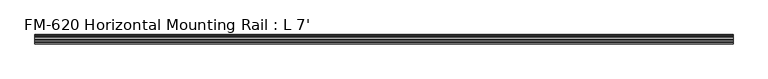
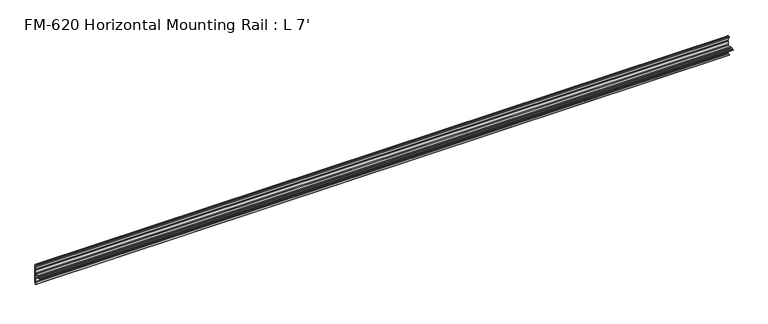
"""IFC4 building model written with IfcOpenShell, lengths in millimetres: proxy geometry, FM-620 Horizontal Mounting Rail : L 7'."""

from ifc_helpers import new_model, si_unit, frame, origin, place, context, project, spatial, polyline, circle_curve, source, transform, mapped, element, save
from ifc_brep_helpers import plane_surface, cylinder_surface, revolved_surface, advanced_brep


def fm_620_horizontal_mounting_rail_l_7_42c006f6(model_context):
    return source(origin(), model_context, "Body", "AdvancedBrep", [
        advanced_brep(
        [(2133.6, 13.6400687, 32.1158903), (2133.6, 11.9462301, 30.7938136), (2133.6, 13.6400687, 26.2967369), (2133.6, 15.4364113, 25.7360779), (2133.6, 16.1779173, 26.4138515), (2133.6, 16.9376166, 27.3612928), (2133.6, 17.4625, 26.8535734), (2133.6, 17.4625, 15.6659614), (2133.6, 17.9716639, 14.7485418), (2133.6, 17.9716639, 13.408381), (2133.6, 17.4681023, 12.4909614), (2133.6, 17.4681023, 3.5082566), (2133.6, 15.5546988, 1.5948531), (2133.6, 5.2023289, 1.5948531), (2133.6, 2.0525552, 1.5948531), (2133.6, -2.484295, 1.5948531), (2133.6, -5.633895, 1.5948531), (2133.6, -9.5043031, 1.5948531), (2133.6, -9.5043031, 0.0), (2133.6, -5.633895, 0.0), (2133.6, -2.484295, 0.0), (2133.6, 2.0526969, 0.0), (2133.6, 5.2022969, 0.0), (2133.6, 15.5575, -0.0227595), (2133.6, 17.4625, -1.9277595), (2133.6, 17.4625, -10.9034614), (2133.6, 17.9716639, -11.820881), (2133.6, 17.9716639, -13.1610418), (2133.6, 17.4625, -14.0784614), (2133.6, 17.4625, -25.2660734), (2133.6, 16.9376166, -25.7737928), (2133.6, 16.1779173, -24.8263515), (2133.6, 15.4364113, -24.1485779), (2133.6, 13.6400687, -24.7092369), (2133.6, 11.9462301, -29.2063136), (2133.6, 13.6400687, -30.5283903), (2133.6, 15.4750158, -31.1010982), (2133.6, 16.1549378, -30.6811835), (2133.6, 16.1549378, -29.1395734), (2133.6, 17.7424378, -27.5520734), (2133.6, 19.05, -27.5520734), (2133.6, 19.05, 0.0), (2133.6, 19.05, 29.1395734), (2133.6, 17.7424378, 29.1395734), (2133.6, 16.1549378, 30.7270734), (2133.6, 16.1549378, 32.2686835), (2133.6, 15.4750158, 32.6885982), (0.0, 13.6400687, 32.1158903), (0.0, 15.4750158, 32.6885982), (0.0, 16.1549378, 32.2686835), (0.0, 16.1549378, 30.7270734), (0.0, 17.7424378, 29.1395734), (0.0, 19.05, 29.1395734), (0.0, 19.05, 0.0), (0.0, 19.05, -27.5520734), (0.0, 17.7424378, -27.5520734), (0.0, 16.1549378, -29.1395734), (0.0, 16.1549378, -30.6811835), (0.0, 15.4750158, -31.1010982), (0.0, 13.6400687, -30.5283903), (0.0, 11.9462301, -29.2063136), (0.0, 13.6400687, -24.7092369), (0.0, 15.4364113, -24.1485779), (0.0, 16.1779173, -24.8263515), (0.0, 16.9376166, -25.7737928), (0.0, 17.4625, -25.2660734), (0.0, 17.4625, -14.0784614), (0.0, 17.9716639, -13.1610418), (0.0, 17.9716639, -11.820881), (0.0, 17.4625, -10.9034614), (0.0, 17.4625, -1.9277595), (0.0, 15.5575, -0.0227595), (0.0, 5.2021324, -0.0227595), (0.0, 2.0526969, 0.0), (0.0, -2.484295, 0.0), (0.0, -5.633895, 0.0), (0.0, -9.5043031, 0.0), (0.0, -9.5043031, 1.5948531), (0.0, -5.633895, 1.5948531), (0.0, -2.484295, 1.5948531), (0.0, 2.0525552, 1.5948531), (0.0, 5.2023289, 1.5948531), (0.0, 15.5546988, 1.5948531), (0.0, 17.4681023, 3.5082566), (0.0, 17.4681023, 12.4909614), (0.0, 17.9716639, 13.408381), (0.0, 17.9716639, 14.7485418), (0.0, 17.4625, 15.6659614), (0.0, 17.4625, 26.8535734), (0.0, 16.9376166, 27.3612928), (0.0, 16.1779173, 26.4138515), (0.0, 15.4364113, 25.7360779), (0.0, 13.6400687, 26.2967369), (0.0, 11.9462301, 30.7938136)],
        [
            (0, 1, circle_curve(frame((2133.6, 14.5481808, 29.2063136), z_axis=(1.0, 0.0, 0.0), x_axis=(0.0, -1.0, 0.0)), 3.048)),
            (1, 2, circle_curve(frame((2133.6, 14.5481808, 29.2063136), z_axis=(1.0, 0.0, 0.0), x_axis=(0.0, -1.0, 0.0)), 3.048)),
            (2, 3),
            (3, 4, circle_curve(frame((2133.6, 15.6245238, 26.2747792), z_axis=(1.0, 0.0, 0.0), x_axis=(0.0, -1.0, 0.0)), 0.5706009)),
            (4, 5, circle_curve(frame((2133.6, 16.9169378, 26.5995734), z_axis=(-1.0, 0.0, 0.0), x_axis=(0.0, -1.0, 0.0)), 0.762)),
            (5, 6, circle_curve(frame((2133.6, 16.9545, 26.8535734), z_axis=(-1.0, 0.0, 0.0), x_axis=(0.0, -1.0, 0.0)), 0.508)),
            (6, 7),
            (7, 8),
            (8, 9),
            (9, 10),
            (10, 11),
            (11, 12, circle_curve(frame((2133.6, 15.5546988, 3.5082566), z_axis=(-1.0, 0.0, 0.0), x_axis=(0.0, -1.0, 0.0)), 1.9134035)),
            (12, 13),
            (13, 14, circle_curve(frame((2133.6, 3.627442, 1.5948531), z_axis=(1.0, 0.0, 0.0), x_axis=(0.0, -1.0, 0.0)), 1.5748869)),
            (14, 15),
            (15, 16, circle_curve(frame((2133.6, -4.059095, 1.5948531), z_axis=(1.0, 0.0, 0.0), x_axis=(0.0, -1.0, 0.0)), 1.5748)),
            (16, 17),
            (17, 18),
            (18, 19),
            (19, 20, circle_curve(frame((2133.6, -4.059095, 0.0), z_axis=(1.0, 0.0, 0.0), x_axis=(0.0, -1.0, 0.0)), 1.5748)),
            (20, 21),
            (21, 22, circle_curve(frame((2133.6, 3.6274969, 0.0), z_axis=(1.0, 0.0, 0.0), x_axis=(0.0, -1.0, 0.0)), 1.5748)),
            (22, 23),
            (23, 24, circle_curve(frame((2133.6, 15.5575, -1.9277595), z_axis=(-1.0, 0.0, 0.0), x_axis=(0.0, -1.0, 0.0)), 1.905)),
            (24, 25),
            (25, 26),
            (26, 27),
            (27, 28),
            (28, 29),
            (29, 30, circle_curve(frame((2133.6, 16.9545, -25.2660734), z_axis=(-1.0, 0.0, 0.0), x_axis=(0.0, -1.0, 0.0)), 0.508)),
            (30, 31, circle_curve(frame((2133.6, 16.9169378, -25.0120734), z_axis=(-1.0, 0.0, 0.0), x_axis=(0.0, -1.0, 0.0)), 0.762)),
            (31, 32, circle_curve(frame((2133.6, 15.6245238, -24.6872792), z_axis=(1.0, 0.0, 0.0), x_axis=(0.0, -1.0, 0.0)), 0.5706009)),
            (32, 33),
            (33, 34, circle_curve(frame((2133.6, 14.5481808, -27.6188136), z_axis=(1.0, 0.0, 0.0), x_axis=(0.0, -1.0, 0.0)), 3.048)),
            (34, 35, circle_curve(frame((2133.6, 14.5481808, -27.6188136), z_axis=(1.0, 0.0, 0.0), x_axis=(0.0, -1.0, 0.0)), 3.048)),
            (35, 36),
            (36, 37, circle_curve(frame((2133.6, 15.6853088, -30.6811835), z_axis=(1.0, 0.0, 0.0), x_axis=(0.0, -1.0, 0.0)), 0.4696291)),
            (37, 38),
            (38, 39, circle_curve(frame((2133.6, 17.7424378, -29.1395734), z_axis=(-1.0, 0.0, 0.0), x_axis=(0.0, -1.0, 0.0)), 1.5875)),
            (39, 40),
            (40, 41),
            (41, 42),
            (42, 43),
            (43, 44, circle_curve(frame((2133.6, 17.7424378, 30.7270734), z_axis=(-1.0, 0.0, 0.0), x_axis=(0.0, -1.0, 0.0)), 1.5875)),
            (44, 45),
            (45, 46, circle_curve(frame((2133.6, 15.6853088, 32.2686835), z_axis=(1.0, 0.0, 0.0), x_axis=(0.0, -1.0, 0.0)), 0.4696291)),
            (46, 0),
            (47, 48),
            (48, 49, circle_curve(frame((0.0, 15.6853088, 32.2686835), z_axis=(-1.0, 0.0, 0.0), x_axis=(0.0, -1.0, 0.0)), 0.4696291)),
            (49, 50),
            (50, 51, circle_curve(frame((0.0, 17.7424378, 30.7270734), z_axis=(1.0, 0.0, 0.0), x_axis=(0.0, -1.0, 0.0)), 1.5875)),
            (51, 52),
            (52, 53),
            (53, 54),
            (54, 55),
            (55, 56, circle_curve(frame((0.0, 17.7424378, -29.1395734), z_axis=(1.0, 0.0, 0.0), x_axis=(0.0, -1.0, 0.0)), 1.5875)),
            (56, 57),
            (57, 58, circle_curve(frame((0.0, 15.6853088, -30.6811835), z_axis=(-1.0, 0.0, 0.0), x_axis=(0.0, -1.0, 0.0)), 0.4696291)),
            (58, 59),
            (59, 60, circle_curve(frame((0.0, 14.5481808, -27.6188136), z_axis=(-1.0, 0.0, 0.0), x_axis=(0.0, -1.0, 0.0)), 3.048)),
            (60, 61, circle_curve(frame((0.0, 14.5481808, -27.6188136), z_axis=(-1.0, 0.0, 0.0), x_axis=(0.0, -1.0, 0.0)), 3.048)),
            (61, 62),
            (62, 63, circle_curve(frame((0.0, 15.6245238, -24.6872792), z_axis=(-1.0, 0.0, 0.0), x_axis=(0.0, -1.0, 0.0)), 0.5706009)),
            (63, 64, circle_curve(frame((0.0, 16.9169378, -25.0120734), z_axis=(1.0, 0.0, 0.0), x_axis=(0.0, -1.0, 0.0)), 0.762)),
            (64, 65, circle_curve(frame((0.0, 16.9545, -25.2660734), z_axis=(1.0, 0.0, 0.0), x_axis=(0.0, -1.0, 0.0)), 0.508)),
            (65, 66),
            (66, 67),
            (67, 68),
            (68, 69),
            (69, 70),
            (70, 71, circle_curve(frame((0.0, 15.5575, -1.9277595), z_axis=(1.0, 0.0, 0.0), x_axis=(0.0, -1.0, 0.0)), 1.905)),
            (71, 72),
            (72, 73, circle_curve(frame((0.0, 3.6274969, 0.0), z_axis=(-1.0, 0.0, 0.0), x_axis=(0.0, -1.0, 0.0)), 1.5748)),
            (73, 74),
            (74, 75, circle_curve(frame((0.0, -4.059095, 0.0), z_axis=(-1.0, 0.0, 0.0), x_axis=(0.0, -1.0, 0.0)), 1.5748)),
            (75, 76),
            (76, 77),
            (77, 78),
            (78, 79, circle_curve(frame((0.0, -4.059095, 1.5948531), z_axis=(-1.0, 0.0, 0.0), x_axis=(0.0, -1.0, 0.0)), 1.5748)),
            (79, 80),
            (80, 81, circle_curve(frame((0.0, 3.627442, 1.5948531), z_axis=(-1.0, 0.0, 0.0), x_axis=(0.0, -1.0, 0.0)), 1.5748869)),
            (81, 82),
            (82, 83, circle_curve(frame((0.0, 15.5546988, 3.5082566), z_axis=(1.0, 0.0, 0.0), x_axis=(0.0, -1.0, 0.0)), 1.9134035)),
            (83, 84),
            (84, 85),
            (85, 86),
            (86, 87),
            (87, 88),
            (88, 89, circle_curve(frame((0.0, 16.9545, 26.8535734), z_axis=(1.0, 0.0, 0.0), x_axis=(0.0, -1.0, 0.0)), 0.508)),
            (89, 90, circle_curve(frame((0.0, 16.9169378, 26.5995734), z_axis=(1.0, 0.0, 0.0), x_axis=(0.0, -1.0, 0.0)), 0.762)),
            (90, 91, circle_curve(frame((0.0, 15.6245238, 26.2747792), z_axis=(-1.0, 0.0, 0.0), x_axis=(0.0, -1.0, 0.0)), 0.5706009)),
            (91, 92),
            (92, 93, circle_curve(frame((0.0, 14.5481808, 29.2063136), z_axis=(-1.0, 0.0, 0.0), x_axis=(0.0, -1.0, 0.0)), 3.048)),
            (93, 47, circle_curve(frame((0.0, 14.5481808, 29.2063136), z_axis=(-1.0, 0.0, 0.0), x_axis=(0.0, -1.0, 0.0)), 3.048)),
            (47, 0),
            (46, 48),
            (45, 49),
            (44, 50),
            (43, 51),
            (42, 52),
            (41, 53),
            (82, 12),
            (11, 83),
            (10, 84),
            (9, 85),
            (8, 86),
            (7, 87),
            (6, 88),
            (5, 89),
            (4, 90),
            (3, 91),
            (2, 92),
            (1, 93),
            (79, 15),
            (14, 80),
            (40, 54),
            (39, 55),
            (38, 56),
            (37, 57),
            (36, 58),
            (35, 59),
            (34, 60),
            (33, 61),
            (32, 62),
            (31, 63),
            (30, 64),
            (29, 65),
            (28, 66),
            (27, 67),
            (26, 68),
            (25, 69),
            (24, 70),
            (23, 71),
            (22, 72),
            (73, 21),
            (20, 74),
            (81, 13),
            (19, 75),
            (18, 76),
            (17, 77),
            (16, 78),
        ],
        [
            plane_surface(frame((2133.6, 13.6400687, 32.1158903), z_axis=(1.0000000000000002, 0.0, 0.0), x_axis=(0.0, -0.9545855229405112, -0.29793703930929905))),
            plane_surface(frame((0.0, 13.6400687, 32.1158903), z_axis=(-1.0000000000000002, 0.0, 0.0), x_axis=(0.0, 0.9545855229405112, 0.29793703930929905))),
            plane_surface(frame((0.0, 13.6400687, 32.1158903), z_axis=(0.0, -0.29793703930929905, 0.9545855229405112), x_axis=(1.0, 0.0, 0.0))),
            cylinder_surface(frame((2133.6, 15.6853088, 32.2686835), z_axis=(-1.0, 0.0, 0.0), x_axis=(0.0, -1.0, 0.0)), 0.4696291),
            plane_surface(frame((0.0, 16.1549378, 32.2686835), z_axis=(0.0, 1.0, 0.0), x_axis=(1.0, 0.0, 0.0))),
            revolved_surface(polyline([(2133.6, 16.154937800000003, 30.7270734), (0.0, 16.154937800000003, 30.7270734)]), (2133.6, 17.7424378, 30.7270734), (1.0, 0.0, 0.0)),
            plane_surface(frame((0.0, 17.7424378, 29.1395734), z_axis=(0.0, 0.0, 1.0), x_axis=(1.0, 0.0, 0.0))),
            plane_surface(frame((0.0, 19.05, 29.1395734), z_axis=(0.0, 1.0, 0.0), x_axis=(1.0, 0.0, 0.0))),
            revolved_surface(polyline([(2133.6, 13.641295300000001, 3.5082566), (0.0, 13.641295300000001, 3.5082566)]), (2133.6, 15.5546988, 3.5082566), (1.0, 0.0, 0.0)),
            plane_surface(frame((0.0, 17.4681023, 3.5082566), z_axis=(0.0, -1.0, 0.0), x_axis=(1.0, 0.0, 0.0))),
            plane_surface(frame((0.0, 17.4681023, 12.4909614), z_axis=(0.0, -0.8766268538755736, 0.48117082108562426), x_axis=(1.0, 0.0, 0.0))),
            plane_surface(frame((0.0, 17.9716639, 13.408381), z_axis=(0.0, -1.0, 0.0), x_axis=(1.0, 0.0, 0.0))),
            plane_surface(frame((0.0, 17.9716639, 14.7485418), z_axis=(0.0, -0.8743650453416105, -0.4852687579937157), x_axis=(1.0, 0.0, 0.0))),
            plane_surface(frame((0.0, 17.4625, 15.6659614), z_axis=(0.0, -1.0, 0.0), x_axis=(1.0, 0.0, 0.0))),
            revolved_surface(polyline([(2133.6, 16.4465, 26.8535734), (0.0, 16.4465, 26.8535734)]), (2133.6, 16.9545, 26.8535734), (1.0, 0.0, 0.0)),
            revolved_surface(polyline([(2133.6, 16.1549378, 26.5995734), (0.0, 16.1549378, 26.5995734)]), (2133.6, 16.9169378, 26.5995734), (1.0, 0.0, 0.0)),
            cylinder_surface(frame((2133.6, 15.6245238, 26.2747792), z_axis=(-1.0, 0.0, 0.0), x_axis=(0.0, -1.0, 0.0)), 0.5706009),
            plane_surface(frame((0.0, 15.4364113, 25.7360779), z_axis=(0.0, -0.2979370393101009, -0.9545855229402609), x_axis=(1.0, 0.0, 0.0))),
            cylinder_surface(frame((2133.6, 14.5481808, 29.2063136), z_axis=(-1.0, 0.0, 0.0), x_axis=(0.0, -1.0, 0.0)), 3.048),
            plane_surface(frame((0.0, -2.484295, 1.5948531), z_axis=(0.0, 0.0, 1.0), x_axis=(1.0, 0.0, 0.0))),
            plane_surface(frame((0.0, 19.05, 0.0), z_axis=(0.0, 1.0, 0.0), x_axis=(1.0, 0.0, 0.0))),
            plane_surface(frame((0.0, 19.05, -27.5520734), z_axis=(0.0, 0.0, -1.0), x_axis=(1.0, 0.0, 0.0))),
            revolved_surface(polyline([(2133.6, 16.154937800000003, -29.1395734), (0.0, 16.154937800000003, -29.1395734)]), (2133.6, 17.7424378, -29.1395734), (1.0, 0.0, 0.0)),
            plane_surface(frame((0.0, 16.1549378, -29.1395734), z_axis=(0.0, 1.0, 0.0), x_axis=(1.0, 0.0, 0.0))),
            cylinder_surface(frame((2133.6, 15.6853088, -30.6811835), z_axis=(-1.0, 0.0, 0.0), x_axis=(0.0, -1.0, 0.0)), 0.4696291),
            plane_surface(frame((0.0, 15.4750158, -31.1010982), z_axis=(0.0, -0.2979370393090683, -0.9545855229405833), x_axis=(1.0, 0.0, 0.0))),
            cylinder_surface(frame((2133.6, 14.5481808, -27.6188136), z_axis=(-1.0, 0.0, 0.0), x_axis=(0.0, -1.0, 0.0)), 3.048),
            plane_surface(frame((0.0, 13.6400687, -24.7092369), z_axis=(0.0, -0.2979370393424987, 0.9545855229301492), x_axis=(1.0, 0.0, 0.0))),
            cylinder_surface(frame((2133.6, 15.6245238, -24.6872792), z_axis=(-1.0, 0.0, 0.0), x_axis=(0.0, -1.0, 0.0)), 0.5706009),
            revolved_surface(polyline([(2133.6, 16.1549378, -25.0120734), (0.0, 16.1549378, -25.0120734)]), (2133.6, 16.9169378, -25.0120734), (1.0, 0.0, 0.0)),
            revolved_surface(polyline([(2133.6, 16.4465, -25.2660734), (0.0, 16.4465, -25.2660734)]), (2133.6, 16.9545, -25.2660734), (1.0, 0.0, 0.0)),
            plane_surface(frame((0.0, 17.4625, -25.2660734), z_axis=(0.0, -1.0, 0.0), x_axis=(1.0, 0.0, 0.0))),
            plane_surface(frame((0.0, 17.4625, -14.0784614), z_axis=(0.0, -0.8743650443696134, 0.48526875974507594), x_axis=(1.0, 0.0, 0.0))),
            plane_surface(frame((0.0, 17.9716639, -13.1610418), z_axis=(0.0, -1.0, 0.0), x_axis=(1.0, 0.0, 0.0))),
            plane_surface(frame((0.0, 17.9716639, -11.820881), z_axis=(0.0, -0.8743650440122003, -0.48526876038906863), x_axis=(1.0, 0.0, 0.0))),
            plane_surface(frame((0.0, 17.4625, -10.9034614), z_axis=(0.0, -1.0, 0.0), x_axis=(1.0, 0.0, 0.0))),
            revolved_surface(polyline([(2133.6, 13.6525, -1.9277595), (0.0, 13.6525, -1.9277595)]), (2133.6, 15.5575, -1.9277595), (1.0, 0.0, 0.0)),
            plane_surface(frame((0.0, 15.5575, -0.0227595), z_axis=(0.0, 0.0, -1.0), x_axis=(1.0, 0.0, 0.0))),
            plane_surface(frame((0.0, 2.0526969, 0.0), z_axis=(0.0, 0.0, -1.0), x_axis=(1.0, 0.0, 0.0))),
            plane_surface(frame((0.0, 5.2023289, 1.5948531), z_axis=(0.0, 0.0, 1.0), x_axis=(1.0, 0.0, 0.0))),
            cylinder_surface(frame((2133.6, 3.6274969, 0.0), z_axis=(-1.0, 0.0, 0.0), x_axis=(0.0, -1.0, 0.0)), 1.5748),
            cylinder_surface(frame((2133.6, -4.059095, 0.0), z_axis=(-1.0, 0.0, 0.0), x_axis=(0.0, -1.0, 0.0)), 1.5748),
            plane_surface(frame((0.0, -5.633895, 0.0), z_axis=(0.0, 0.0, -1.0), x_axis=(1.0, 0.0, 0.0))),
            plane_surface(frame((0.0, -9.5043031, 0.0), z_axis=(0.0, -1.0, 0.0), x_axis=(1.0, 0.0, 0.0))),
            plane_surface(frame((0.0, -9.5043031, 1.5948531), z_axis=(0.0, 0.0, 1.0), x_axis=(1.0, 0.0, 0.0))),
            cylinder_surface(frame((2133.6, -4.059095, 1.5948531), z_axis=(-1.0, 0.0, 0.0), x_axis=(0.0, -1.0, 0.0)), 1.5748),
            cylinder_surface(frame((2133.6, 3.627442, 1.5948531), z_axis=(-1.0, 0.0, 0.0), x_axis=(0.0, -1.0, 0.0)), 1.5748869),
        ],
        [
            (0, [[1, 2, 3, 4, 5, 6, 7, 8, 9, 10, 11, 12, 13, 14, 15, 16, 17, 18, 19, 20, 21, 22, 23, 24, 25, 26, 27, 28, 29, 30, 31, 32, 33, 34, 35, 36, 37, 38, 39, 40, 41, 42, 43, 44, 45, 46, 47]]),
            (1, [[48, 49, 50, 51, 52, 53, 54, 55, 56, 57, 58, 59, 60, 61, 62, 63, 64, 65, 66, 67, 68, 69, 70, 71, 72, 73, 74, 75, 76, 77, 78, 79, 80, 81, 82, 83, 84, 85, 86, 87, 88, 89, 90, 91, 92, 93, 94]]),
            (2, [[-48, 95, -47, 96]]),
            (3, [[-49, -96, -46, 97]]),
            (4, [[-50, -97, -45, 98]]),
            (5, [[-51, -98, -44, 99]]),
            (6, [[-52, -99, -43, 100]]),
            (7, [[-53, -100, -42, 101]]),
            (8, [[-83, 102, -12, 103]]),
            (9, [[-84, -103, -11, 104]]),
            (10, [[-85, -104, -10, 105]]),
            (11, [[-86, -105, -9, 106]]),
            (12, [[-87, -106, -8, 107]]),
            (13, [[-88, -107, -7, 108]]),
            (14, [[-89, -108, -6, 109]]),
            (15, [[-90, -109, -5, 110]]),
            (16, [[-91, -110, -4, 111]]),
            (17, [[-92, -111, -3, 112]]),
            (18, [[-93, -112, -2, 113]]),
            (18, [[-94, -113, -1, -95]]),
            (19, [[-80, 114, -15, 115]]),
            (20, [[-54, -101, -41, 116]]),
            (21, [[-55, -116, -40, 117]]),
            (22, [[-56, -117, -39, 118]]),
            (23, [[-57, -118, -38, 119]]),
            (24, [[-58, -119, -37, 120]]),
            (25, [[-59, -120, -36, 121]]),
            (26, [[-60, -121, -35, 122]]),
            (26, [[-61, -122, -34, 123]]),
            (27, [[-62, -123, -33, 124]]),
            (28, [[-63, -124, -32, 125]]),
            (29, [[-64, -125, -31, 126]]),
            (30, [[-65, -126, -30, 127]]),
            (31, [[-66, -127, -29, 128]]),
            (32, [[-67, -128, -28, 129]]),
            (33, [[-68, -129, -27, 130]]),
            (34, [[-69, -130, -26, 131]]),
            (35, [[-70, -131, -25, 132]]),
            (36, [[-71, -132, -24, 133]]),
            (37, [[-72, -133, -23, 134]]),
            (38, [[-74, 135, -21, 136]]),
            (39, [[-82, 137, -13, -102]]),
            (40, [[-73, -134, -22, -135]]),
            (41, [[-75, -136, -20, 138]]),
            (42, [[-76, -138, -19, 139]]),
            (43, [[-77, -139, -18, 140]]),
            (44, [[-78, -140, -17, 141]]),
            (45, [[-79, -141, -16, -114]]),
            (46, [[-81, -115, -14, -137]]),
        ],
    ),
    ])


if __name__ == "__main__":
    model = new_model("IFC4")
    model_context = context("Model", 3, world=origin())
    ifc_project = project(units=[si_unit("LENGTHUNIT", "METRE", prefix="MILLI")], contexts=[model_context])
    site = spatial("IfcSite", under=ifc_project)
    building = spatial("IfcBuilding", under=site)
    placement = place(None, origin())
    fm_620_horizontal_mounting_rail_l_7_shape = fm_620_horizontal_mounting_rail_l_7_42c006f6(model_context)
    element("IfcBuildingElementProxy", 1, Name="FM-620 Horizontal Mounting Rail : L 7'", ObjectType="FM-620 Horizontal Mounting Rail : L 7'", at=placement, inside=building, context=model_context, shape_type="MappedRepresentation", body=[
        mapped(fm_620_horizontal_mounting_rail_l_7_shape, transform((0.0, 0.0, 0.0), x_axis=(1.0, 0.0, 0.0), y_axis=(0.0, 1.0, 0.0), z_axis=(0.0, 0.0, 1.0))),
    ])
    save(model, "model.ifc")
